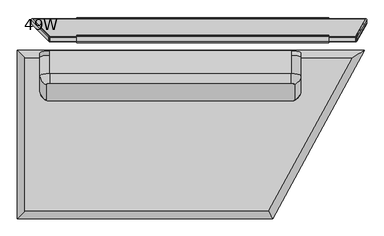
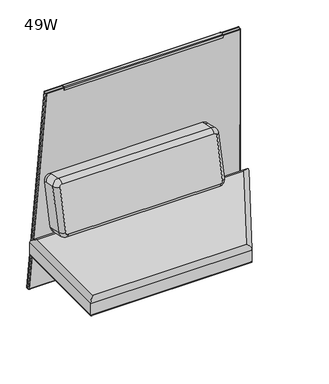
"""IFC4 building model written with IfcOpenShell, lengths in millimetres: furniture geometry, 49W."""

from ifc_helpers import new_model, si_unit, point, frame, frame_2d, origin, place, context, project, spatial, polyline, circle_curve, ellipse_curve, trimmed, segment, composite_curve, outline, extrude, source, transform, mapped, element, save
from ifc_brep_helpers import plane_surface, cylinder_surface, revolved_surface, advanced_brep


def furniture_49w_469fd119(model_context):
    return source(origin(), model_context, "Body", "SolidModel", [
        extrude(outline(composite_curve([segment(polyline([(0.0, 2.7618542), (-8.144073, 2.7618542), (-8.144073, 5.809597), (-0.7084719, 5.809597)]), True, "CONTINUOUS"), segment(trimmed(circle_curve(frame_2d((-0.7084719, 0.6723218)), 5.1372751), [point((-0.7084719, 5.809597))], [point((4.4288032, 0.6723231))], False, "CARTESIAN"), True, "CONTINUOUS"), segment(polyline([(4.4288032, 0.6723231), (4.428809, -22.1894719)]), True, "CONTINUOUS"), segment(trimmed(circle_curve(frame_2d((-0.2870619, -22.1894731)), 4.7158708), [point((4.428809, -22.1894719))], [point((-0.2870619, -26.9053439))], False, "CARTESIAN"), True, "CONTINUOUS"), segment(polyline([(-0.2870619, -26.9053439), (-30.2577073, -26.9053439)]), True, "CONTINUOUS"), segment(trimmed(circle_curve(frame_2d((-30.2577073, -28.255386)), 1.3500421), [point((-30.2577073, -26.9053439))], [point((-31.6077494, -28.2553863))], True, "CARTESIAN"), True, "CONTINUOUS"), segment(polyline([(-31.6077494, -28.2553863), (-31.6077448, -46.0826012), (-34.6571469, -46.0826012), (-34.6571469, -28.1797797)]), True, "CONTINUOUS"), segment(trimmed(circle_curve(frame_2d((-29.8525087, -28.1797797)), 4.8046382), [point((-34.6571469, -28.1797797))], [point((-29.8525087, -23.3751415))], False, "CARTESIAN"), True, "CONTINUOUS"), segment(polyline([(-29.8525087, -23.3751415), (0.0128466, -23.3751415)]), True, "CONTINUOUS"), segment(trimmed(circle_curve(frame_2d((0.0128466, -22.0070551)), 1.3680864), [point((0.0128466, -23.3751415))], [point((1.380933, -22.0070548))], True, "CARTESIAN"), True, "CONTINUOUS"), segment(polyline([(1.380933, -22.0070548), (1.380927, 1.3809275)]), True, "CONTINUOUS"), segment(trimmed(circle_curve(frame_2d((0.0, 1.3809271)), 1.3809271), [point((1.380927, 1.3809275))], [point((0.0, 2.7618542))], True, "CARTESIAN"), True, "CONTINUOUS")], self_intersect=False)), frame((899.6751415, -51.2771859, 562.9379975), z_axis=(0.0, -0.08715574274766424, 0.996194698091745), x_axis=(0.0, -0.996194698091745, -0.08715574274766424)), (0.0, 0.0, 1.0), 51.1352235),
        extrude(outline(composite_curve([segment(trimmed(circle_curve(frame_2d((2.2023575, 23.9777383)), 4.6118092), [point((2.4039227, 19.3703361))], [point((-2.4031314, 23.7363749))], False, "CARTESIAN"), True, "CONTINUOUS"), segment(polyline([(-2.4031314, 23.7363749), (-3.1606988, 38.1916228), (-0.8769993, 38.3113064), (-0.1192392, 23.8523818)]), True, "CONTINUOUS"), segment(trimmed(circle_curve(frame_2d((2.1627609, 23.9719763)), 2.285132), [point((-0.1192392, 23.8523818))], [point((2.2823555, 21.689976))], True, "CARTESIAN"), True, "CONTINUOUS"), segment(polyline([(2.2823555, 21.689976), (18.7703484, 22.5540751)]), True, "CONTINUOUS"), segment(trimmed(circle_curve(frame_2d((18.6507538, 24.8360754)), 2.285132), [point((18.7703484, 22.5540751))], [point((20.9327541, 24.95567))], True, "CARTESIAN"), True, "CONTINUOUS"), segment(polyline([(20.9327541, 24.95567), (20.1749938, 39.4145946), (22.4585421, 39.5342703), (23.2162566, 25.0762164)]), True, "CONTINUOUS"), segment(trimmed(circle_curve(frame_2d((18.6526375, 24.800132)), 4.5719626), [point((23.2162566, 25.0762164))], [point((18.8919156, 20.2344351))], False, "CARTESIAN"), True, "CONTINUOUS"), segment(polyline([(18.8919156, 20.2344351), (2.4039227, 19.3703361)]), True, "CONTINUOUS")], self_intersect=False)), frame((215.9, 0.0, 0.0), z_axis=(1.0, 0.0, 0.0), x_axis=(0.0, 1.0, 0.0)), (0.0, 0.0, 1.0), 913.3357285),
        extrude(outline(composite_curve([segment(trimmed(circle_curve(frame_2d((8.144073, 1.3809271)), 1.3809271), [point((8.144073, 0.0))], [point((9.525, 1.3809267))], True, "CARTESIAN"), True, "CONTINUOUS"), segment(polyline([(9.525, 1.3809267), (9.525006, 25.2511141)]), True, "CONTINUOUS"), segment(trimmed(circle_curve(frame_2d((8.1569196, 25.2511144)), 1.3680864), [point((9.525006, 25.2511141))], [point((8.1569205, 26.6192008))], True, "CARTESIAN"), True, "CONTINUOUS"), segment(polyline([(8.1569205, 26.6192008), (-21.7084389, 26.6192008)]), True, "CONTINUOUS"), segment(trimmed(circle_curve(frame_2d((-21.7084358, 31.423839)), 4.8046382), [point((-21.7084389, 26.6192008))], [point((-26.513074, 31.423839))], False, "CARTESIAN"), True, "CONTINUOUS"), segment(polyline([(-26.513074, 31.423839), (-26.513074, 48.8444554), (-23.4636719, 48.8444554), (-23.4636765, 31.0172405)]), True, "CONTINUOUS"), segment(trimmed(circle_curve(frame_2d((-22.1136344, 31.0172402)), 1.3500421), [point((-23.4636765, 31.0172405))], [point((-22.1136353, 29.6671981))], True, "CARTESIAN"), True, "CONTINUOUS"), segment(polyline([(-22.1136353, 29.6671981), (7.8570142, 29.6671981)]), True, "CONTINUOUS"), segment(trimmed(circle_curve(frame_2d((7.8570111, 24.9513273)), 4.7158708), [point((7.8570142, 29.6671981))], [point((12.5728819, 24.9513261))], False, "CARTESIAN"), True, "CONTINUOUS"), segment(polyline([(12.5728819, 24.9513261), (12.5728762, 2.0895311)]), True, "CONTINUOUS"), segment(trimmed(circle_curve(frame_2d((7.4356011, 2.0895324)), 5.1372751), [point((12.5728762, 2.0895311))], [point((7.4356011, -3.0477428))], False, "CARTESIAN"), True, "CONTINUOUS"), segment(polyline([(7.4356011, -3.0477428), (0.0, -3.0477428), (0.0, 0.0), (8.144073, 0.0)]), True, "CONTINUOUS")], self_intersect=False)), frame((215.1630043, -43.1641036, 563.6478002), z_axis=(0.0, -0.08715574274766426, 0.996194698091745), x_axis=(0.0, -0.996194698091745, -0.08715574274766426)), (0.0, 0.0, 1.0), 51.1352235),
        extrude(outline(composite_curve([segment(trimmed(circle_curve(frame_2d((8.1440729, 1.3809271)), 1.3809271), [point((8.1440729, 0.0))], [point((9.525, 1.3809267))], True, "CARTESIAN"), True, "CONTINUOUS"), segment(polyline([(9.525, 1.3809267), (9.525006, 25.2511218)]), True, "CONTINUOUS"), segment(trimmed(circle_curve(frame_2d((8.1569196, 25.2511222)), 1.3680864), [point((9.525006, 25.2511218))], [point((8.1569196, 26.6192086))], True, "CARTESIAN"), True, "CONTINUOUS"), segment(polyline([(8.1569196, 26.6192086), (-9.8021859, 26.6192086)]), True, "CONTINUOUS"), segment(trimmed(circle_curve(frame_2d((-9.8021859, 31.4238468)), 4.8046382), [point((-9.8021859, 26.6192086))], [point((-14.606824, 31.4238468))], False, "CARTESIAN"), True, "CONTINUOUS"), segment(polyline([(-14.606824, 31.4238468), (-14.606824, 48.8444632), (-11.5574219, 48.8444632), (-11.5574266, 31.0172483)]), True, "CONTINUOUS"), segment(trimmed(circle_curve(frame_2d((-10.2073845, 31.017248)), 1.3500421), [point((-11.5574266, 31.0172483))], [point((-10.2073845, 29.6672059))], True, "CARTESIAN"), True, "CONTINUOUS"), segment(polyline([(-10.2073845, 29.6672059), (7.8570111, 29.6672059)]), True, "CONTINUOUS"), segment(trimmed(circle_curve(frame_2d((7.8570111, 24.951335)), 4.7158708), [point((7.8570111, 29.6672059))], [point((12.5728819, 24.9513338))], False, "CARTESIAN"), True, "CONTINUOUS"), segment(polyline([(12.5728819, 24.9513338), (12.5728761, 2.0895311)]), True, "CONTINUOUS"), segment(trimmed(circle_curve(frame_2d((7.435601, 2.0895324)), 5.1372751), [point((12.5728761, 2.0895311))], [point((7.435601, -3.0477428))], False, "CARTESIAN"), True, "CONTINUOUS"), segment(polyline([(7.435601, -3.0477428), (0.0, -3.0477428), (0.0, 0.0), (8.1440729, 0.0)]), True, "CONTINUOUS")], self_intersect=False)), frame((215.1630043, -24.2408127, 144.8059002), z_axis=(0.0, -0.05233595624294945, 0.9986295347545736), x_axis=(0.0, -0.9986295347545736, -0.05233595624294945)), (0.0, 0.0, 1.0), 50.4083184),
        extrude(outline(composite_curve([segment(polyline([(18.5911719, 20.5975436), (18.5911719, 36.4727737), (22.0080176, 36.4727737), (22.0080176, 22.1226629)]), True, "CONTINUOUS"), segment(trimmed(circle_curve(frame_2d((17.0817223, 22.1226629)), 4.9262954), [point((22.0080176, 22.1226629))], [point((17.0817223, 17.1963676))], False, "CARTESIAN"), True, "CONTINUOUS"), segment(polyline([(17.0817223, 17.1963676), (-20.9377121, 17.1963676)]), True, "CONTINUOUS"), segment(trimmed(circle_curve(frame_2d((-20.9377121, 22.4139285)), 5.217561), [point((-20.9377121, 17.1963676))], [point((-25.9416036, 23.891769))], False, "CARTESIAN"), True, "CONTINUOUS"), segment(polyline([(-25.9416036, 23.891769), (-8.0168765, 84.5839696), (-8.0168765, 96.8063842), (-4.5957637, 96.8063842), (-4.5957637, 83.9990238), (-22.7108138, 22.6623993)]), True, "CONTINUOUS"), segment(trimmed(circle_curve(frame_2d((-21.1676183, 22.2066346)), 1.609091), [point((-22.7108138, 22.6623993))], [point((-21.1676183, 20.5975436))], True, "CARTESIAN"), True, "CONTINUOUS"), segment(polyline([(-21.1676183, 20.5975436), (18.5911719, 20.5975436)]), True, "CONTINUOUS")], self_intersect=False)), frame((1052.8411576, 0.0, 0.0), z_axis=(1.0, 0.0, 0.0), x_axis=(0.0, 1.0, 0.0)), (0.0, 0.0, 1.0), 25.4),
        extrude(outline(composite_curve([segment(polyline([(1056.7767002, -4.5957637), (1075.1897641, -4.5957637)]), True, "CONTINUOUS"), segment(trimmed(circle_curve(frame_2d((1063.1912621, -13.6862365)), 15.0532637), [point((1075.1897641, -4.5957637))], [point((1076.2740263, -21.1321769))], False, "CARTESIAN"), True, "CONTINUOUS"), segment(polyline([(1076.2740263, -21.1321769), (1055.6924381, -21.1321769)]), True, "CONTINUOUS"), segment(trimmed(circle_curve(frame_2d((1068.7752022, -13.6862365)), 15.0532637), [point((1055.6924381, -21.1321769))], [point((1056.7767002, -4.5957637))], False, "CARTESIAN"), True, "CONTINUOUS")], self_intersect=False)), frame((0.0, 0.0, 13.858606), z_axis=(0.0, 0.0, 1.0), x_axis=(1.0, 0.0, 0.0)), (0.0, 0.0, 1.0), 3.3377616),
        advanced_brep(
        [(1065.5411576, -16.1234282, 14.8752118), (1065.5411576, -9.500017, 14.8752118), (1065.5411576, -8.9130793, 13.858606), (1065.5411576, -16.7103659, 13.858606), (1065.5411576, -4.8811056, 11.2402116), (1065.5411576, -20.7423395, 11.2402116), (1065.5411576, -4.8811056, 8.74896), (1065.5411576, -20.7423395, 8.74896), (1065.5411576, -6.4627748, 8.74896), (1065.5411576, -19.1606704, 8.74896), (1065.5411576, -1.6031557, 5.9432577), (1065.5411576, -24.0202895, 5.9432577), (1065.5411576, 1.5875, 3.5556814), (1065.5411576, -27.2109452, 3.5556814), (1065.5411576, -0.4653912, 0.0), (1065.5411576, -25.1580539, 0.0), (1065.5411576, -12.8117226, 0.0), (1065.5411576, -12.8117226, 17.1963676), (1065.5411576, -8.8603739, 17.1963676), (1065.5411576, -16.7630713, 17.1963676), (1065.5411576, -8.8603739, 15.514855), (1065.5411576, -16.7630713, 15.514855)],
        [
            (0, 1, circle_curve(frame((1065.5411576, -12.8117226, 14.8752118), z_axis=(0.0, 0.0, -1.0), x_axis=(0.0, 1.0, 0.0)), 3.3117056)),
            (1, 2),
            (2, 3, circle_curve(frame((1065.5411576, -12.8117226, 13.858606), z_axis=(0.0, 0.0, 1.0), x_axis=(0.0, 1.0, 0.0)), 3.8986433)),
            (3, 0),
            (1, 0, circle_curve(frame((1065.5411576, -12.8117226, 14.8752118), z_axis=(0.0, 0.0, -1.0), x_axis=(0.0, 1.0, 0.0)), 3.3117056)),
            (3, 2, circle_curve(frame((1065.5411576, -12.8117226, 13.858606), z_axis=(0.0, 0.0, 1.0), x_axis=(0.0, 1.0, 0.0)), 3.8986433)),
            (2, 4),
            (4, 5, circle_curve(frame((1065.5411576, -12.8117226, 11.2402116), z_axis=(0.0, 0.0, 1.0), x_axis=(0.0, 1.0, 0.0)), 7.930617)),
            (5, 3),
            (5, 4, circle_curve(frame((1065.5411576, -12.8117226, 11.2402116), z_axis=(0.0, 0.0, 1.0), x_axis=(0.0, 1.0, 0.0)), 7.930617)),
            (4, 6),
            (6, 7, circle_curve(frame((1065.5411576, -12.8117226, 8.74896), z_axis=(0.0, 0.0, 1.0), x_axis=(0.0, 1.0, 0.0)), 7.930617)),
            (7, 5),
            (7, 6, circle_curve(frame((1065.5411576, -12.8117226, 8.74896), z_axis=(0.0, 0.0, 1.0), x_axis=(0.0, 1.0, 0.0)), 7.930617)),
            (6, 8),
            (8, 9, circle_curve(frame((1065.5411576, -12.8117226, 8.74896), z_axis=(0.0, 0.0, 1.0), x_axis=(0.0, 1.0, 0.0)), 6.3489478)),
            (9, 7),
            (9, 8, circle_curve(frame((1065.5411576, -12.8117226, 8.74896), z_axis=(0.0, 0.0, 1.0), x_axis=(0.0, 1.0, 0.0)), 6.3489478)),
            (8, 10, circle_curve(frame((1065.5411576, -1.9505298, 10.9529929), z_axis=(1.0, 0.0, 0.0), x_axis=(0.0, -1.0, 0.0)), 5.0217642)),
            (10, 11, circle_curve(frame((1065.5411576, -12.8117226, 5.9432577), z_axis=(0.0, 0.0, 1.0), x_axis=(0.0, 1.0, 0.0)), 11.2085669)),
            (11, 9, circle_curve(frame((1065.5411576, -23.6729154, 10.9529929), z_axis=(1.0, 0.0, 0.0), x_axis=(0.0, 1.0, 0.0)), 5.0217642)),
            (11, 10, circle_curve(frame((1065.5411576, -12.8117226, 5.9432577), z_axis=(0.0, 0.0, 1.0), x_axis=(0.0, 1.0, 0.0)), 11.2085669)),
            (10, 12, circle_curve(frame((1065.5411576, -1.3921075, 2.8995769), z_axis=(-1.0, 0.0, 0.0), x_axis=(0.0, -1.0, 0.0)), 3.050989)),
            (12, 13, circle_curve(frame((1065.5411576, -12.8117226, 3.5556814), z_axis=(0.0, 0.0, 1.0), x_axis=(0.0, 1.0, 0.0)), 14.3992226)),
            (13, 11, circle_curve(frame((1065.5411576, -24.2313377, 2.8995769), z_axis=(-1.0, 0.0, 0.0), x_axis=(0.0, 1.0, 0.0)), 3.050989)),
            (13, 12, circle_curve(frame((1065.5411576, -12.8117226, 3.5556814), z_axis=(0.0, 0.0, 1.0), x_axis=(0.0, 1.0, 0.0)), 14.3992226)),
            (12, 14),
            (14, 15, circle_curve(frame((1065.5411576, -12.8117226, 0.0), z_axis=(0.0, 0.0, 1.0), x_axis=(0.0, 1.0, 0.0)), 12.3463313)),
            (15, 13),
            (15, 14, circle_curve(frame((1065.5411576, -12.8117226, 0.0), z_axis=(0.0, 0.0, 1.0), x_axis=(0.0, 1.0, 0.0)), 12.3463313)),
            (14, 16),
            (16, 15),
            (17, 18),
            (18, 19, circle_curve(frame((1065.5411576, -12.8117226, 17.1963676), z_axis=(0.0, 0.0, 1.0), x_axis=(0.0, 1.0, 0.0)), 3.9513487)),
            (19, 17),
            (19, 18, circle_curve(frame((1065.5411576, -12.8117226, 17.1963676), z_axis=(0.0, 0.0, 1.0), x_axis=(0.0, 1.0, 0.0)), 3.9513487)),
            (18, 20),
            (20, 21, circle_curve(frame((1065.5411576, -12.8117226, 15.514855), z_axis=(0.0, 0.0, 1.0), x_axis=(0.0, 1.0, 0.0)), 3.9513487)),
            (21, 19),
            (21, 20, circle_curve(frame((1065.5411576, -12.8117226, 15.514855), z_axis=(0.0, 0.0, 1.0), x_axis=(0.0, 1.0, 0.0)), 3.9513487)),
            (20, 1),
            (0, 21),
        ],
        [
            revolved_surface(polyline([(1065.5411576, -8.9130793, 13.858606), (1065.5411576, -9.500017, 14.8752118)]), (1065.5411576, -12.8117226, 0.0), (0.0, 0.0, 1.0)),
            revolved_surface(polyline([(1065.5411576, -4.8811056, 11.2402116), (1065.5411576, -8.9130793, 13.858606)]), (1065.5411576, -12.8117226, 0.0), (0.0, 0.0, 1.0)),
            cylinder_surface(frame((1065.5411576, -12.8117226, 0.0), z_axis=(0.0, 0.0, 1.0), x_axis=(0.0, 1.0, 0.0)), 7.930617),
            plane_surface(frame((1065.5411576, -12.8117226, 8.74896), z_axis=(0.0, 0.0, -1.0), x_axis=(0.0, 1.0, 0.0))),
            revolved_surface(trimmed(ellipse_curve(frame((1065.5411576, -1.9505298, 10.9529929), z_axis=(-1.0, 0.0, 0.0), x_axis=(0.0, -1.0, 0.0)), 5.0217642, 5.0217642), [point((1065.5411576, -1.6031557, 5.9432577))], [point((1065.5411576, -6.4627748, 8.74896))], True, "CARTESIAN"), (1065.5411576, -12.8117226, 0.0), (0.0, 0.0, 1.0)),
            revolved_surface(trimmed(ellipse_curve(frame((1065.5411576, -1.3921075, 2.8995769), z_axis=(1.0, 0.0, 0.0), x_axis=(0.0, -1.0, 0.0)), 3.050989, 3.050989), [point((1065.5411576, 1.5875, 3.5556814))], [point((1065.5411576, -1.6031557, 5.9432577))], True, "CARTESIAN"), (1065.5411576, -12.8117226, 0.0), (0.0, 0.0, 1.0)),
            revolved_surface(polyline([(1065.5411576, -0.4653912, 0.0), (1065.5411576, 1.5875, 3.5556814)]), (1065.5411576, -12.8117226, 0.0), (0.0, 0.0, 1.0)),
            plane_surface(frame((1065.5411576, -12.8117226, 0.0), z_axis=(0.0, 0.0, -1.0), x_axis=(0.0, 1.0, 0.0))),
            plane_surface(frame((1065.5411576, -12.8117226, 17.1963676), z_axis=(0.0, 0.0, 1.0), x_axis=(0.0, 1.0, 0.0))),
            cylinder_surface(frame((1065.5411576, -12.8117226, 0.0), z_axis=(0.0, 0.0, 1.0), x_axis=(0.0, 1.0, 0.0)), 3.9513487),
            revolved_surface(polyline([(1065.5411576, -9.500017, 14.8752118), (1065.5411576, -8.8603739, 15.514855)]), (1065.5411576, -12.8117226, 0.0), (0.0, 0.0, 1.0)),
        ],
        [
            (0, [[1, 2, 3, 4]]),
            (0, [[5, -4, 6, -2]]),
            (1, [[-3, 7, 8, 9]]),
            (1, [[-6, -9, 10, -7]]),
            (2, [[-8, 11, 12, 13]]),
            (2, [[-10, -13, 14, -11]]),
            (3, [[-12, 15, 16, 17]]),
            (3, [[-14, -17, 18, -15]]),
            (4, [[-16, 19, 20, 21]]),
            (4, [[-18, -21, 22, -19]]),
            (5, [[-20, 23, 24, 25]]),
            (5, [[-22, -25, 26, -23]]),
            (6, [[-24, 27, 28, 29]]),
            (6, [[-26, -29, 30, -27]]),
            (7, [[-28, 31, 32]]),
            (7, [[-30, -32, -31]]),
            (8, [[33, 34, 35]]),
            (8, [[-35, 36, -33]]),
            (9, [[-34, 37, 38, 39]]),
            (9, [[-36, -39, 40, -37]]),
            (10, [[-38, 41, -1, 42]]),
            (10, [[-40, -42, -5, -41]]),
        ],
    ),
        extrude(outline(composite_curve([segment(trimmed(circle_curve(frame_2d((276.429285, -13.6862365)), 15.0532637), [point((288.427787, -4.5957637))], [point((289.5120492, -21.1321769))], False, "CARTESIAN"), True, "CONTINUOUS"), segment(polyline([(289.5120492, -21.1321769), (268.930461, -21.1321769)]), True, "CONTINUOUS"), segment(trimmed(circle_curve(frame_2d((282.0132252, -13.6862365)), 15.0532637), [point((268.930461, -21.1321769))], [point((270.0147231, -4.5957637))], False, "CARTESIAN"), True, "CONTINUOUS"), segment(polyline([(270.0147231, -4.5957637), (288.427787, -4.5957637)]), True, "CONTINUOUS")], self_intersect=False)), frame((0.0, 0.0, 13.858606), z_axis=(0.0, 0.0, 1.0), x_axis=(1.0, 0.0, 0.0)), (0.0, 0.0, 1.0), 3.3377616),
        advanced_brep(
        [(279.230466, -16.7103659, 13.858606), (279.230466, -8.9130793, 13.858606), (279.230466, -9.500017, 14.8752118), (279.230466, -16.1234282, 14.8752118), (279.230466, -20.7423395, 11.2402116), (279.230466, -4.8811056, 11.2402116), (279.230466, -20.7423395, 8.74896), (279.230466, -4.8811056, 8.74896), (279.230466, -19.1606704, 8.74896), (279.230466, -6.4627748, 8.74896), (279.230466, -24.0202895, 5.9432577), (279.230466, -1.6031557, 5.9432577), (279.230466, -27.2109452, 3.5556814), (279.230466, 1.5875, 3.5556814), (279.230466, -25.1580539, 0.0), (279.230466, -0.4653912, 0.0), (279.230466, -12.8117226, 0.0), (279.230466, -16.7630713, 17.1963676), (279.230466, -8.8603739, 17.1963676), (279.230466, -12.8117226, 17.1963676), (279.230466, -16.7630713, 15.514855), (279.230466, -8.8603739, 15.514855)],
        [
            (0, 1, circle_curve(frame((279.230466, -12.8117226, 13.858606), z_axis=(0.0, 0.0, 1.0), x_axis=(0.0, 1.0, 0.0)), 3.8986433)),
            (1, 2),
            (2, 3, circle_curve(frame((279.230466, -12.8117226, 14.8752118), z_axis=(0.0, 0.0, -1.0), x_axis=(0.0, 1.0, 0.0)), 3.3117056)),
            (3, 0),
            (1, 0, circle_curve(frame((279.230466, -12.8117226, 13.858606), z_axis=(0.0, 0.0, 1.0), x_axis=(0.0, 1.0, 0.0)), 3.8986433)),
            (3, 2, circle_curve(frame((279.230466, -12.8117226, 14.8752118), z_axis=(0.0, 0.0, -1.0), x_axis=(0.0, 1.0, 0.0)), 3.3117056)),
            (4, 5, circle_curve(frame((279.230466, -12.8117226, 11.2402116), z_axis=(0.0, 0.0, 1.0), x_axis=(0.0, 1.0, 0.0)), 7.930617)),
            (5, 1),
            (0, 4),
            (5, 4, circle_curve(frame((279.230466, -12.8117226, 11.2402116), z_axis=(0.0, 0.0, 1.0), x_axis=(0.0, 1.0, 0.0)), 7.930617)),
            (6, 7, circle_curve(frame((279.230466, -12.8117226, 8.74896), z_axis=(0.0, 0.0, 1.0), x_axis=(0.0, 1.0, 0.0)), 7.930617)),
            (7, 5),
            (4, 6),
            (7, 6, circle_curve(frame((279.230466, -12.8117226, 8.74896), z_axis=(0.0, 0.0, 1.0), x_axis=(0.0, 1.0, 0.0)), 7.930617)),
            (8, 9, circle_curve(frame((279.230466, -12.8117226, 8.74896), z_axis=(0.0, 0.0, 1.0), x_axis=(0.0, 1.0, 0.0)), 6.3489478)),
            (9, 7),
            (6, 8),
            (9, 8, circle_curve(frame((279.230466, -12.8117226, 8.74896), z_axis=(0.0, 0.0, 1.0), x_axis=(0.0, 1.0, 0.0)), 6.3489478)),
            (10, 11, circle_curve(frame((279.230466, -12.8117226, 5.9432577), z_axis=(0.0, 0.0, 1.0), x_axis=(0.0, 1.0, 0.0)), 11.2085669)),
            (11, 9, circle_curve(frame((279.230466, -1.9505298, 10.9529929), z_axis=(-1.0, 0.0, 0.0), x_axis=(0.0, -1.0, 0.0)), 5.0217642)),
            (8, 10, circle_curve(frame((279.230466, -23.6729154, 10.9529929), z_axis=(-1.0, 0.0, 0.0), x_axis=(0.0, 1.0, 0.0)), 5.0217642)),
            (11, 10, circle_curve(frame((279.230466, -12.8117226, 5.9432577), z_axis=(0.0, 0.0, 1.0), x_axis=(0.0, 1.0, 0.0)), 11.2085669)),
            (12, 13, circle_curve(frame((279.230466, -12.8117226, 3.5556814), z_axis=(0.0, 0.0, 1.0), x_axis=(0.0, 1.0, 0.0)), 14.3992226)),
            (13, 11, circle_curve(frame((279.230466, -1.3921075, 2.8995769), z_axis=(1.0, 0.0, 0.0), x_axis=(0.0, -1.0, 0.0)), 3.050989)),
            (10, 12, circle_curve(frame((279.230466, -24.2313377, 2.8995769), z_axis=(1.0, 0.0, 0.0), x_axis=(0.0, 1.0, 0.0)), 3.050989)),
            (13, 12, circle_curve(frame((279.230466, -12.8117226, 3.5556814), z_axis=(0.0, 0.0, 1.0), x_axis=(0.0, 1.0, 0.0)), 14.3992226)),
            (14, 15, circle_curve(frame((279.230466, -12.8117226, 0.0), z_axis=(0.0, 0.0, 1.0), x_axis=(0.0, 1.0, 0.0)), 12.3463313)),
            (15, 13),
            (12, 14),
            (15, 14, circle_curve(frame((279.230466, -12.8117226, 0.0), z_axis=(0.0, 0.0, 1.0), x_axis=(0.0, 1.0, 0.0)), 12.3463313)),
            (16, 15),
            (14, 16),
            (17, 18, circle_curve(frame((279.230466, -12.8117226, 17.1963676), z_axis=(0.0, 0.0, 1.0), x_axis=(0.0, 1.0, 0.0)), 3.9513487)),
            (18, 19),
            (19, 17),
            (18, 17, circle_curve(frame((279.230466, -12.8117226, 17.1963676), z_axis=(0.0, 0.0, 1.0), x_axis=(0.0, 1.0, 0.0)), 3.9513487)),
            (20, 21, circle_curve(frame((279.230466, -12.8117226, 15.514855), z_axis=(0.0, 0.0, 1.0), x_axis=(0.0, 1.0, 0.0)), 3.9513487)),
            (21, 18),
            (17, 20),
            (21, 20, circle_curve(frame((279.230466, -12.8117226, 15.514855), z_axis=(0.0, 0.0, 1.0), x_axis=(0.0, 1.0, 0.0)), 3.9513487)),
            (2, 21),
            (20, 3),
        ],
        [
            revolved_surface(polyline([(279.230466, -9.500017, 14.8752118), (279.230466, -8.9130793, 13.858606)]), (279.230466, -12.8117226, 0.0), (0.0, 0.0, -1.0)),
            revolved_surface(polyline([(279.230466, -8.9130793, 13.858606), (279.230466, -4.8811056, 11.2402116)]), (279.230466, -12.8117226, 0.0), (0.0, 0.0, -1.0)),
            cylinder_surface(frame((279.230466, -12.8117226, 0.0), z_axis=(0.0, 0.0, -1.0), x_axis=(0.0, 1.0, 0.0)), 7.930617),
            plane_surface(frame((279.230466, -12.8117226, 8.74896), z_axis=(0.0, 0.0, -1.0), x_axis=(0.0, 1.0, 0.0))),
            revolved_surface(trimmed(ellipse_curve(frame((279.230466, -1.9505298, 10.9529929), z_axis=(1.0, 0.0, 0.0), x_axis=(0.0, -1.0, 0.0)), 5.0217642, 5.0217642), [point((279.230466, -6.4627748, 8.74896))], [point((279.230466, -1.6031557, 5.9432577))], True, "CARTESIAN"), (279.230466, -12.8117226, 0.0), (0.0, 0.0, -1.0)),
            revolved_surface(trimmed(ellipse_curve(frame((279.230466, -1.3921075, 2.8995769), z_axis=(-1.0, 0.0, 0.0), x_axis=(0.0, -1.0, 0.0)), 3.050989, 3.050989), [point((279.230466, -1.6031557, 5.9432577))], [point((279.230466, 1.5875, 3.5556814))], True, "CARTESIAN"), (279.230466, -12.8117226, 0.0), (0.0, 0.0, -1.0)),
            revolved_surface(polyline([(279.230466, 1.5875, 3.5556814), (279.230466, -0.4653912, 0.0)]), (279.230466, -12.8117226, 0.0), (0.0, 0.0, -1.0)),
            plane_surface(frame((279.230466, -12.8117226, 0.0), z_axis=(0.0, 0.0, -1.0), x_axis=(0.0, 1.0, 0.0))),
            plane_surface(frame((279.230466, -12.8117226, 17.1963676), z_axis=(0.0, 0.0, 1.0), x_axis=(0.0, 1.0, 0.0))),
            cylinder_surface(frame((279.230466, -12.8117226, 0.0), z_axis=(0.0, 0.0, -1.0), x_axis=(0.0, 1.0, 0.0)), 3.9513487),
            revolved_surface(polyline([(279.230466, -8.8603739, 15.514855), (279.230466, -9.500017, 14.8752118)]), (279.230466, -12.8117226, 0.0), (0.0, 0.0, -1.0)),
        ],
        [
            (0, [[1, 2, 3, 4]]),
            (0, [[5, -4, 6, -2]]),
            (1, [[7, 8, -1, 9]]),
            (1, [[10, -9, -5, -8]]),
            (2, [[11, 12, -7, 13]]),
            (2, [[14, -13, -10, -12]]),
            (3, [[15, 16, -11, 17]]),
            (3, [[18, -17, -14, -16]]),
            (4, [[19, 20, -15, 21]]),
            (4, [[22, -21, -18, -20]]),
            (5, [[23, 24, -19, 25]]),
            (5, [[26, -25, -22, -24]]),
            (6, [[27, 28, -23, 29]]),
            (6, [[30, -29, -26, -28]]),
            (7, [[31, -27, 32]]),
            (7, [[-32, -30, -31]]),
            (8, [[33, 34, 35]]),
            (8, [[36, -35, -34]]),
            (9, [[37, 38, -33, 39]]),
            (9, [[40, -39, -36, -38]]),
            (10, [[-3, 41, -37, 42]]),
            (10, [[-6, -42, -40, -41]]),
        ],
    ),
        extrude(outline(composite_curve([segment(polyline([(18.5911719, 20.5975436), (18.5911719, 36.4727737), (22.0080176, 36.4727737), (22.0080176, 22.1226629)]), True, "CONTINUOUS"), segment(trimmed(circle_curve(frame_2d((17.0817223, 22.1226629)), 4.9262954), [point((22.0080176, 22.1226629))], [point((17.0817223, 17.1963676))], False, "CARTESIAN"), True, "CONTINUOUS"), segment(polyline([(17.0817223, 17.1963676), (-20.9377121, 17.1963676)]), True, "CONTINUOUS"), segment(trimmed(circle_curve(frame_2d((-20.9377121, 22.4139285)), 5.217561), [point((-20.9377121, 17.1963676))], [point((-25.9416036, 23.891769))], False, "CARTESIAN"), True, "CONTINUOUS"), segment(polyline([(-25.9416036, 23.891769), (-8.0168765, 84.5839696), (-8.0168765, 96.8063842), (-4.5957637, 96.8063842), (-4.5957637, 83.9990238), (-22.7108138, 22.6623993)]), True, "CONTINUOUS"), segment(trimmed(circle_curve(frame_2d((-21.1676183, 22.2066346)), 1.609091), [point((-22.7108138, 22.6623993))], [point((-21.1676183, 20.5975436))], True, "CARTESIAN"), True, "CONTINUOUS"), segment(polyline([(-21.1676183, 20.5975436), (18.5911719, 20.5975436)]), True, "CONTINUOUS")], self_intersect=False)), frame((259.8298168, 0.0, 0.0), z_axis=(1.0, 0.0, 0.0), x_axis=(0.0, 1.0, 0.0)), (0.0, 0.0, 1.0), 38.8216493),
        extrude(outline(composite_curve([segment(polyline([(-63.475146, 1229.5989299), (-46.9871532, 1230.463029)]), True, "CONTINUOUS"), segment(trimmed(circle_curve(frame_2d((-46.7478751, 1225.8973321)), 4.5719626), [point((-46.9871532, 1230.463029))], [point((-42.1803973, 1226.0997882))], False, "CARTESIAN"), True, "CONTINUOUS"), segment(polyline([(-42.1803973, 1226.0997882), (-41.4226828, 1211.6417343), (-43.7062311, 1211.5220586), (-44.4639911, 1225.9809832)]), True, "CONTINUOUS"), segment(trimmed(circle_curve(frame_2d((-46.7459914, 1225.8613887)), 2.285132), [point((-44.4639911, 1225.9809832))], [point((-46.865586, 1228.143389))], True, "CARTESIAN"), True, "CONTINUOUS"), segment(polyline([(-46.865586, 1228.143389), (-63.3535789, 1227.2792899)]), True, "CONTINUOUS"), segment(trimmed(circle_curve(frame_2d((-63.2339843, 1224.9972896)), 2.285132), [point((-63.3535789, 1227.2792899))], [point((-65.5159846, 1224.877695))], True, "CARTESIAN"), True, "CONTINUOUS"), segment(polyline([(-65.5159846, 1224.877695), (-64.7582243, 1210.4187704), (-67.0419238, 1210.2990868), (-67.7994912, 1224.7543347)]), True, "CONTINUOUS"), segment(trimmed(circle_curve(frame_2d((-63.1940023, 1224.9956981)), 4.6118092), [point((-67.7994912, 1224.7543347))], [point((-63.475146, 1229.5989299))], False, "CARTESIAN"), True, "CONTINUOUS")], self_intersect=False)), frame((215.9, 0.0, 0.0), z_axis=(1.0, 0.0, 0.0), x_axis=(0.0, 1.0, 0.0)), (0.0, 0.0, 1.0), 913.3357285),
        advanced_brep(
        [(116.7587904, -44.6733765, 1225.2510989), (116.7587904, -65.1147983, 1224.1729435), (53.8033308, -1.8438792, 24.5800049), (53.8033308, 18.5975426, 25.6581603), (113.9117948, -47.7971932, 1228.090615), (116.0068356, -44.7151123, 1226.0423941), (52.9683205, 18.6392784, 24.866865), (50.6418769, 15.78976, 22.5057899), (113.9117948, -62.30746, 1227.3252905), (50.6418769, 1.2794932, 21.7404653), (116.0072265, -65.1565125, 1224.9638274), (52.9687547, -1.8021651, 23.7891211), (1263.5765807, -1.8438792, 24.5800049), (1263.5765807, 18.5975426, 25.6581603), (1264.3928427, 18.6392784, 24.866865), (1266.6670513, 15.78976, 22.5057899), (1266.6670513, 1.2794932, 21.7404653), (1264.3924183, -1.8021651, 23.7891211), (1227.9236697, -65.1147983, 1224.1729435), (1227.9236697, -44.6733765, 1225.2510989), (1228.6928958, -44.7151123, 1226.0423941), (1230.8360564, -47.7971932, 1228.090615), (1230.8360564, -62.30746, 1227.3252905), (1228.6924958, -65.1565125, 1224.9638274)],
        [
            (0, 1),
            (1, 2),
            (2, 3),
            (3, 0),
            (4, 5, ellipse_curve(frame((116.8550063, -47.6338359, 1224.9934221), z_axis=(-0.7253743916787091, 0.03625594182065722, -0.6873990824691575), x_axis=(-0.6883545539158888, -0.038205793211199476, 0.7243675347973296)), 4.2757202, 3.101498)),
            (5, 6),
            (6, 7, ellipse_curve(frame((53.910174, 15.6264027, 25.6029828), z_axis=(-0.6883545539158888, -0.038205793211199456, 0.7243675347973297), x_axis=(0.7253743916787094, -0.03625594182065723, 0.6873990824691573)), 4.5056693, 3.101498)),
            (7, 4),
            (8, 4),
            (7, 9),
            (9, 8),
            (10, 8, ellipse_curve(frame((116.8542803, -62.144143, 1224.2288616), z_axis=(-0.7253743916787091, 0.03625594182065722, -0.6873990824691575), x_axis=(-0.6883545539158888, -0.038205793211199476, 0.7243675347973296)), 4.2746655, 3.1007329)),
            (9, 11, ellipse_curve(frame((53.9093678, 1.1161762, 24.8368943), z_axis=(-0.6883545539158888, -0.038205793211199456, 0.7243675347973297), x_axis=(0.7253743916787094, -0.03625594182065723, 0.6873990824691573)), 4.5045579, 3.1007329)),
            (11, 10),
            (2, 12),
            (12, 13),
            (13, 3),
            (6, 14),
            (14, 15, ellipse_curve(frame((1263.4721364, 15.6264027, 25.6029828), z_axis=(-0.6965391146472958, 0.03779203691500148, -0.7165228703343505), x_axis=(-0.7175188232836552, -0.03668702629016127, 0.695572282610243)), 4.4527262, 3.101498)),
            (15, 7),
            (15, 16),
            (16, 9),
            (16, 17, ellipse_curve(frame((1263.4729245, 1.1161762, 24.8368943), z_axis=(-0.6965391146472958, 0.03779203691500148, -0.7165228703343505), x_axis=(-0.7175188232836552, -0.03668702629016127, 0.695572282610243)), 4.4516278, 3.1007329)),
            (17, 11),
            (12, 18),
            (18, 19),
            (19, 13),
            (14, 20),
            (20, 21, ellipse_curve(frame((1227.8252439, -47.6338359, 1224.9934221), z_axis=(0.7175188232836552, 0.036687026290161275, -0.6955722826102428), x_axis=(-0.6965391146472956, 0.03779203691500147, -0.7165228703343507)), 4.3225318, 3.101498)),
            (21, 15),
            (21, 22),
            (22, 16),
            (22, 23, ellipse_curve(frame((1227.8259865, -62.144143, 1224.2288616), z_axis=(0.7175188232836552, 0.036687026290161275, -0.6955722826102428), x_axis=(-0.6965391146472956, 0.03779203691500147, -0.7165228703343507)), 4.3214656, 3.1007329)),
            (23, 17),
            (18, 1),
            (0, 19),
            (5, 20),
            (4, 21),
            (8, 22),
            (10, 23),
        ],
        [
            plane_surface(frame((116.7587904, -65.1147983, 1224.1729435), z_axis=(0.9986295316120145, 0.0027565613504242073, -0.05226337113017064), x_axis=(-0.05233601620651505, 0.05259826348579585, -0.997243382573136))),
            cylinder_surface(frame((116.8600419, -47.6388967, 1225.0893728), z_axis=(0.05233601620651508, -0.052598263485795826, 0.9972433825731362), x_axis=(0.9986295316120145, 0.0027565613504174436, -0.05226337113017102)), 3.101498),
            plane_surface(frame((113.9117948, -47.7971932, 1228.090615), z_axis=(-0.9986295316120144, -0.002756561350415666, 0.05226337113017111), x_axis=(-0.052336016206515075, 0.05259826348579585, -0.997243382573136))),
            cylinder_surface(frame((116.8592779, -62.1491656, 1224.3240882), z_axis=(0.05233601620651508, -0.052598263485795826, 0.9972433825731362), x_axis=(0.9986295316120145, 0.0027565613504174436, -0.05226337113017102)), 3.1007329),
            plane_surface(frame((53.8033308, -1.8438792, 24.5800049), z_axis=(0.0, -0.05267044666792856, 0.9986119486806679), x_axis=(1.0, 0.0, 0.0))),
            cylinder_surface(frame((53.8033308, 15.6264027, 25.6029828), z_axis=(-1.0000000000000002, 0.0, 0.0), x_axis=(0.0, -0.05267044666793532, 0.9986119486806676)), 3.101498),
            plane_surface(frame((50.6418769, 15.78976, 22.5057899), z_axis=(0.0, 0.0526704466679371, -0.9986119486806675), x_axis=(1.0, 0.0, 0.0))),
            cylinder_surface(frame((53.8033308, 1.1161762, 24.8368943), z_axis=(-1.0000000000000002, 0.0, 0.0), x_axis=(0.0, -0.05267044666793532, 0.9986119486806676)), 3.1007329),
            plane_surface(frame((1263.5765807, -1.8438792, 24.5800049), z_axis=(-0.9995598518255335, 0.0015625490455600604, -0.029625344875592673), x_axis=(-0.02966652353272263, -0.052647263866986094, 0.9981724114544553))),
            cylinder_surface(frame((1263.4752349, 15.6319014, 25.4987294), z_axis=(0.029666523532722717, 0.05264726386698609, -0.9981724114544553), x_axis=(-0.9995598518255335, 0.0015625490455533147, -0.029625344875593117)), 3.101498),
            plane_surface(frame((1266.6670513, 15.78976, 22.5057899), z_axis=(0.9995598518255335, -0.0015625490455515206, 0.029625344875593), x_axis=(-0.029666523532722505, -0.05264726386698609, 0.9981724114544553))),
            cylinder_surface(frame((1263.4759996, 1.1216335, 24.7334275), z_axis=(0.029666523532722717, 0.05264726386698609, -0.9981724114544553), x_axis=(-0.9995598518255335, 0.0015625490455533147, -0.029625344875593117)), 3.1007329),
            plane_surface(frame((1227.9236697, -65.1147983, 1224.1729435), z_axis=(0.0, 0.05267044666794205, -0.9986119486806672), x_axis=(-1.0, 0.0, 0.0))),
            plane_surface(frame((1227.9236697, -44.6733765, 1225.2510989), z_axis=(0.0, 0.9986119486806676, 0.05267044666793407), x_axis=(-1.0, 0.0, 0.0))),
            cylinder_surface(frame((1227.9236697, -47.6338359, 1224.9934221), z_axis=(1.0, 0.0, 0.0), x_axis=(0.0, 0.052670446667935314, -0.9986119486806675)), 3.101498),
            plane_surface(frame((1230.8360564, -47.7971932, 1228.090615), z_axis=(0.0, -0.05267044666793351, 0.9986119486806676), x_axis=(-1.0, 0.0, 0.0))),
            cylinder_surface(frame((1227.9236697, -62.144143, 1224.2288616), z_axis=(1.0, 0.0, 0.0), x_axis=(0.0, 0.052670446667935314, -0.9986119486806675)), 3.1007329),
            plane_surface(frame((1228.6924958, -65.1565125, 1224.9638274), z_axis=(0.0, -0.9986119486806678, -0.0526704466679301), x_axis=(-1.0, 0.0, 0.0))),
        ],
        [
            (0, [[1, 2, 3, 4]]),
            (1, [[5, 6, 7, 8]]),
            (2, [[9, -8, 10, 11]]),
            (3, [[12, -11, 13, 14]]),
            (4, [[-3, 15, 16, 17]]),
            (5, [[-7, 18, 19, 20]]),
            (6, [[-10, -20, 21, 22]]),
            (7, [[-13, -22, 23, 24]]),
            (8, [[-16, 25, 26, 27]]),
            (9, [[-19, 28, 29, 30]]),
            (10, [[-21, -30, 31, 32]]),
            (11, [[-23, -32, 33, 34]]),
            (12, [[-26, 35, -1, 36]]),
            (13, [[37, -28, -18, -6], [-17, -27, -36, -4]]),
            (14, [[-29, -37, -5, 38]]),
            (15, [[-31, -38, -9, 39]]),
            (16, [[-33, -39, -12, 40]]),
            (17, [[-24, -34, -40, -14], [-35, -25, -15, -2]]),
        ],
    ),
        extrude(outline(polyline([(0.0, 0.0), (1209.7732499, 0.0), (1174.1203389, -1201.2603496), (62.9554596, -1201.2603496), (0.0, 0.0)])), frame((53.8033308, -1.8438792, 24.5800049), z_axis=(0.0, 0.9986119486806675, 0.0526704466679353), x_axis=(1.0, 0.0, 0.0)), (0.0, 0.0, 1.0), 20.469835),
        advanced_brep(
        [(116.7721752, -217.2921337, 767.8572736), (104.0721752, -220.1490121, 755.4827738), (104.0721752, -276.0967018, 513.1467057), (116.7721752, -278.9535802, 500.7722059), (992.8225, -278.9535802, 500.7722059), (1005.5225, -276.0967018, 513.1467057), (1005.5225, -220.1490121, 755.4827738), (992.8225, -217.2921337, 767.8572736), (116.7721752, -98.3553775, 763.566931), (992.8225, -98.3553775, 763.566931), (1028.0970673, -106.2904287, 729.1964486), (1028.0970673, -162.2381183, 486.8603805), (992.8225, -170.1731694, 452.4898981), (116.7721752, -170.1731694, 452.4898981), (81.4976079, -162.2381183, 486.8603805), (81.4976079, -106.2904287, 729.1964486), (116.7721752, -113.2061417, 766.9955001), (116.7721752, -179.8740623, 782.3870023), (992.8225, -179.8740623, 782.3870023), (992.8225, -113.2061417, 766.9955001), (1028.0970673, -121.1411928, 732.6250176), (1028.0970673, -187.8091134, 748.0165199), (1028.0970673, -243.7568031, 505.6804518), (1028.0970673, -177.0888824, 490.2889496), (992.8225, -185.0239336, 455.9184671), (992.8225, -251.6918542, 471.3099694), (116.7721752, -251.6918542, 471.3099694), (116.7721752, -185.0239336, 455.9184671), (81.4976079, -177.0888824, 490.2889496), (81.4976079, -243.7568031, 505.6804518), (81.4976079, -187.8091134, 748.0165199), (81.4976079, -121.1411928, 732.6250176)],
        [
            (0, 1, circle_curve(frame((116.7721752, -220.1490121, 755.4827738), z_axis=(0.0, -0.9743700647852357, 0.22495105434386325), x_axis=(0.0, 0.22495105434386325, 0.9743700647852357)), 12.7)),
            (1, 2),
            (2, 3, circle_curve(frame((116.7721752, -276.0967018, 513.1467057), z_axis=(0.0, -0.9743700647852357, 0.22495105434386325), x_axis=(-1.0000000000000002, 0.0, 0.0)), 12.7)),
            (3, 4),
            (4, 5, circle_curve(frame((992.8225, -276.0967018, 513.1467057), z_axis=(0.0, -0.9743700647852357, 0.22495105434386325), x_axis=(0.0, -0.22495105434386325, -0.9743700647852357)), 12.7)),
            (5, 6),
            (6, 7, circle_curve(frame((992.8225, -220.1490121, 755.4827738), z_axis=(0.0, -0.9743700647852357, 0.22495105434386325), x_axis=(1.0, 0.0, 0.0)), 12.7)),
            (7, 0),
            (8, 9),
            (9, 10, circle_curve(frame((992.8225, -106.2904287, 729.1964486), z_axis=(0.0, 0.9743700647852357, -0.22495105434386348), x_axis=(-1.0, 0.0, 0.0)), 35.2745673)),
            (10, 11),
            (11, 12, circle_curve(frame((992.8225, -162.2381183, 486.8603805), z_axis=(0.0, 0.9743700647852357, -0.22495105434386348), x_axis=(-1.0, 0.0, 0.0)), 35.2745673)),
            (12, 13),
            (13, 14, circle_curve(frame((116.7721752, -162.2381183, 486.8603805), z_axis=(0.0, 0.9743700647852356, -0.22495105434386348), x_axis=(-1.0, 0.0, 0.0)), 35.2745673)),
            (14, 15),
            (15, 8, circle_curve(frame((116.7721752, -106.2904287, 729.1964486), z_axis=(0.0, 0.9743700647852356, -0.22495105434386348), x_axis=(-1.0, 0.0, 0.0)), 35.2745673)),
            (8, 16),
            (16, 17),
            (17, 18),
            (18, 19),
            (19, 9),
            (19, 20, circle_curve(frame((992.8225, -121.1411928, 732.6250176), z_axis=(0.0, 0.9743700647852357, -0.22495105434386348), x_axis=(-1.0, 0.0, 0.0)), 35.2745673)),
            (20, 10),
            (20, 21),
            (21, 22),
            (22, 23),
            (23, 11),
            (23, 24, circle_curve(frame((992.8225, -177.0888824, 490.2889496), z_axis=(0.0, 0.9743700647852357, -0.22495105434386348), x_axis=(-1.0, 0.0, 0.0)), 35.2745673)),
            (24, 12),
            (24, 25),
            (25, 26),
            (26, 27),
            (27, 13),
            (27, 28, circle_curve(frame((116.7721752, -177.0888824, 490.2889496), z_axis=(0.0, 0.9743700647852356, -0.22495105434386348), x_axis=(-1.0, 0.0, 0.0)), 35.2745673)),
            (28, 14),
            (28, 29),
            (29, 30),
            (30, 31),
            (31, 15),
            (31, 16, circle_curve(frame((116.7721752, -121.1411928, 732.6250176), z_axis=(0.0, 0.9743700647852356, -0.22495105434386348), x_axis=(-1.0, 0.0, 0.0)), 35.2745673)),
            (30, 17, circle_curve(frame((116.7721752, -187.8091134, 748.0165199), z_axis=(0.0, 0.9743700647852357, -0.22495105434386325), x_axis=(0.0, 0.22495105434386325, 0.9743700647852357)), 35.2745673)),
            (26, 29, circle_curve(frame((116.7721752, -243.7568031, 505.6804518), z_axis=(0.0, 0.9743700647852357, -0.22495105434386325), x_axis=(-1.0000000000000002, 0.0, 0.0)), 35.2745673)),
            (22, 25, circle_curve(frame((992.8225, -243.7568031, 505.6804518), z_axis=(0.0, 0.9743700647852357, -0.22495105434386325), x_axis=(0.0, -0.22495105434386325, -0.9743700647852357)), 35.2745673)),
            (18, 21, circle_curve(frame((992.8225, -187.8091134, 748.0165199), z_axis=(0.0, 0.9743700647852357, -0.22495105434386325), x_axis=(1.0, 0.0, 0.0)), 35.2745673)),
            (30, 1, circle_curve(frame((117.1843403, -187.8091134, 748.0165199), z_axis=(0.0, 0.2249510543438633, 0.9743700647852357), x_axis=(1.0000000000000004, 0.0, 0.0)), 35.6867324)),
            (0, 17, circle_curve(frame((116.7721752, -187.9018304, 747.6149186), z_axis=(-1.0000000000000004, 0.0, 0.0), x_axis=(0.0, -0.22495105434386323, -0.9743700647852357)), 35.6867324)),
            (29, 2, circle_curve(frame((117.1843403, -243.7568031, 505.6804518), z_axis=(0.0, 0.22495105434386328, 0.9743700647852358), x_axis=(1.0, 0.0, 0.0)), 35.6867324)),
            (26, 3, circle_curve(frame((116.7721752, -243.6640861, 506.0820531), z_axis=(-1.0000000000000002, 0.0, 0.0), x_axis=(0.0, 0.22495105434386342, 0.9743700647852361)), 35.6867324)),
            (25, 4, circle_curve(frame((992.8225, -243.6640861, 506.0820531), z_axis=(-1.0, 0.0, 0.0), x_axis=(0.0, 0.22495105434386334, 0.9743700647852357)), 35.6867324)),
            (22, 5, circle_curve(frame((992.4103349, -243.7568031, 505.6804518), z_axis=(0.0, -0.22495105434386314, -0.9743700647852357), x_axis=(-1.0000000000000002, 0.0, 0.0)), 35.6867324)),
            (21, 6, circle_curve(frame((992.4103349, -187.8091134, 748.0165199), z_axis=(0.0, -0.2249510543438631, -0.9743700647852358), x_axis=(-1.0, 0.0, 0.0)), 35.6867324)),
            (18, 7, circle_curve(frame((992.8225, -187.9018304, 747.6149186), z_axis=(1.0, 0.0, 0.0), x_axis=(0.0, -0.22495105434386317, -0.9743700647852357)), 35.6867324)),
        ],
        [
            plane_surface(frame((992.8225, -217.2921337, 767.8572736), z_axis=(0.0, -0.9743700647852357, 0.22495105434386348), x_axis=(-1.0, 0.0, 0.0))),
            plane_surface(frame((992.8225, -98.3553775, 763.566931), z_axis=(0.0, 0.9743700647852357, -0.22495105434386348), x_axis=(1.0, 0.0, 0.0))),
            plane_surface(frame((116.7721752, -98.3553775, 763.566931), z_axis=(0.0, 0.22495105434386667, 0.9743700647852349), x_axis=(0.0, -0.9743700647852349, 0.22495105434386667))),
            cylinder_surface(frame((992.8225, -121.1411928, 732.6250176), z_axis=(0.0, 0.9743700647852357, -0.22495105434386348), x_axis=(-1.0, 0.0, 0.0)), 35.2745673),
            plane_surface(frame((1028.0970673, -106.2904287, 729.1964486), z_axis=(1.0, 0.0, 0.0), x_axis=(0.0, -0.9743700647852349, 0.22495105434386667))),
            cylinder_surface(frame((992.8225, -177.0888824, 490.2889496), z_axis=(0.0, 0.9743700647852357, -0.22495105434386348), x_axis=(-1.0, 0.0, 0.0)), 35.2745673),
            plane_surface(frame((992.8225, -170.1731694, 452.4898981), z_axis=(0.0, -0.2249510543438627, -0.9743700647852358), x_axis=(0.0, -0.9743700647852358, 0.2249510543438627))),
            cylinder_surface(frame((116.7721752, -177.0888824, 490.2889496), z_axis=(0.0, 0.9743700647852356, -0.22495105434386348), x_axis=(-1.0, 0.0, 0.0)), 35.2745673),
            plane_surface(frame((81.4976079, -162.2381183, 486.8603805), z_axis=(-1.0, 0.0, 0.0), x_axis=(0.0, -0.9743700647852359, 0.2249510543438622))),
            cylinder_surface(frame((116.7721752, -121.1411928, 732.6250176), z_axis=(0.0, 0.9743700647852356, -0.22495105434386348), x_axis=(-1.0, 0.0, 0.0)), 35.2745673),
            cylinder_surface(frame((116.7721752, -220.1490121, 755.4827738), z_axis=(0.0, -0.9743700647852359, 0.2249510543438633), x_axis=(0.0, 0.22495105434386325, 0.9743700647852357)), 35.2745673),
            cylinder_surface(frame((116.7721752, -276.0967018, 513.1467057), z_axis=(0.0, -0.9743700647852359, 0.2249510543438633), x_axis=(-1.0000000000000002, 0.0, 0.0)), 35.2745673),
            cylinder_surface(frame((992.8225, -276.0967018, 513.1467057), z_axis=(0.0, -0.9743700647852357, 0.22495105434386325), x_axis=(0.0, -0.22495105434386325, -0.9743700647852357)), 35.2745673),
            cylinder_surface(frame((992.8225, -220.1490121, 755.4827738), z_axis=(0.0, -0.9743700647852357, 0.22495105434386325), x_axis=(1.0, 0.0, 0.0)), 35.2745673),
            revolved_surface(trimmed(ellipse_curve(frame((116.7721752, -187.9018304, 747.6149186), z_axis=(1.0000000000000004, 0.0, 0.0), x_axis=(0.0, -0.22495105434386323, -0.9743700647852357)), 35.6867324, 35.6867324), [point((116.7721752, -179.8740623, 782.3870023))], [point((116.7721752, -217.2921337, 767.8572736))], True, "CARTESIAN"), (116.7721752, -220.1490121, 755.4827738), (0.0, -0.9743700647852359, 0.2249510543438633)),
            cylinder_surface(frame((117.1843403, -187.8091134, 748.0165199), z_axis=(0.0, 0.22495105434386323, 0.9743700647852356), x_axis=(1.0, 0.0, 0.0)), 35.6867324),
            revolved_surface(trimmed(ellipse_curve(frame((117.1843403, -243.7568031, 505.6804518), z_axis=(0.0, 0.22495105434386323, 0.9743700647852361), x_axis=(1.0000000000000002, 0.0, 0.0)), 35.6867324, 35.6867324), [point((81.4976079, -243.7568031, 505.6804518))], [point((104.0721752, -276.0967018, 513.1467057))], True, "CARTESIAN"), (116.7721752, -276.0967018, 513.1467057), (0.0, -0.9743700647852359, 0.2249510543438633)),
            cylinder_surface(frame((116.7721752, -243.6640861, 506.0820531), z_axis=(-1.0000000000000002, 0.0, 0.0), x_axis=(0.0, 0.22495105434386334, 0.9743700647852357)), 35.6867324),
            revolved_surface(trimmed(ellipse_curve(frame((992.8225, -243.6640861, 506.0820531), z_axis=(-1.0000000000000002, 0.0, 0.0), x_axis=(0.0, 0.22495105434386334, 0.9743700647852357)), 35.6867324, 35.6867324), [point((992.8225, -251.6918542, 471.3099694))], [point((992.8225, -278.9535802, 500.7722059))], True, "CARTESIAN"), (992.8225, -276.0967018, 513.1467057), (0.0, -0.9743700647852357, 0.22495105434386325)),
            cylinder_surface(frame((992.4103349, -243.7568031, 505.6804518), z_axis=(0.0, -0.2249510543438631, -0.9743700647852358), x_axis=(-1.0, 0.0, 0.0)), 35.6867324),
            revolved_surface(trimmed(ellipse_curve(frame((992.4103349, -187.8091134, 748.0165199), z_axis=(0.0, -0.22495105434386312, -0.9743700647852357), x_axis=(-1.0, 0.0, 0.0)), 35.6867324, 35.6867324), [point((1028.0970673, -187.8091134, 748.0165199))], [point((1005.5225, -220.1490121, 755.4827738))], True, "CARTESIAN"), (992.8225, -220.1490121, 755.4827738), (0.0, -0.9743700647852357, 0.22495105434386325)),
            cylinder_surface(frame((992.8225, -187.9018304, 747.6149186), z_axis=(1.0000000000000002, 0.0, 0.0), x_axis=(0.0, -0.22495105434386317, -0.9743700647852357)), 35.6867324),
        ],
        [
            (0, [[1, 2, 3, 4, 5, 6, 7, 8]]),
            (1, [[9, 10, 11, 12, 13, 14, 15, 16]]),
            (2, [[-9, 17, 18, 19, 20, 21]]),
            (3, [[-10, -21, 22, 23]]),
            (4, [[-11, -23, 24, 25, 26, 27]]),
            (5, [[-12, -27, 28, 29]]),
            (6, [[-13, -29, 30, 31, 32, 33]]),
            (7, [[-14, -33, 34, 35]]),
            (8, [[-15, -35, 36, 37, 38, 39]]),
            (9, [[-16, -39, 40, -17]]),
            (10, [[41, -18, -40, -38]]),
            (11, [[-36, -34, -32, 42]]),
            (12, [[-30, -28, -26, 43]]),
            (13, [[-24, -22, -20, 44]]),
            (14, [[-41, 45, -1, 46]]),
            (15, [[-37, 47, -2, -45]]),
            (16, [[-42, 48, -3, -47]]),
            (17, [[-31, 49, -4, -48]]),
            (18, [[-43, 50, -5, -49]]),
            (19, [[-25, 51, -6, -50]]),
            (20, [[-44, 52, -7, -51]]),
            (21, [[-19, -46, -8, -52]]),
        ],
    ),
        advanced_brep(
        [(27.2635975, -123.7984512, 405.8895176), (27.2635975, -678.8688097, 405.8895176), (910.1596882, -678.8688097, 405.8895176), (1212.6876051, -123.7984512, 405.8895176), (6.3491764, -699.7832308, 304.2919641), (6.3491764, -102.8840302, 304.2919641), (1247.9055843, -102.8840302, 304.2919641), (922.5798503, -699.7832308, 304.2919641), (-0.0008236, -96.5340302, 310.6419641), (-0.0008236, -706.1332308, 310.6419641), (-0.0008236, -706.1332308, 379.4503267), (-0.0008236, -96.5340302, 379.4503267), (926.3508382, -706.1332308, 310.6419641), (926.3508382, -706.1332308, 379.4503267), (1258.5984056, -96.5340302, 310.6419641), (1258.5984056, -96.5340302, 379.4503267)],
        [
            (0, 1),
            (1, 2),
            (2, 3),
            (3, 0),
            (4, 5),
            (5, 6),
            (6, 7),
            (7, 4),
            (8, 5, ellipse_curve(frame((6.3491764, -102.8840302, 310.6419641), z_axis=(-0.7071067811865485, -0.7071067811865465, 0.0), x_axis=(-0.7071067811865464, 0.7071067811865487, 0.0)), 8.9802561, 6.35)),
            (4, 9, ellipse_curve(frame((6.3491764, -699.7832308, 310.6419641), z_axis=(-0.7071067811865466, 0.7071067811865485, 0.0), x_axis=(0.7071067811865483, 0.7071067811865466, 0.0)), 8.9802561, 6.35)),
            (9, 8),
            (9, 10),
            (10, 11),
            (11, 8),
            (10, 1, ellipse_curve(frame((26.4508562, -679.681551, 379.4503267), z_axis=(-0.7071067811865466, 0.7071067811865485, 0.0), x_axis=(0.7071067811865483, 0.7071067811865466, 0.0)), 37.4083243, 26.4516798)),
            (0, 11, ellipse_curve(frame((26.4508562, -122.98571, 379.4503267), z_axis=(-0.7071067811865485, -0.7071067811865465, 0.0), x_axis=(-0.7071067811865464, 0.7071067811865487, 0.0)), 37.4083243, 26.4516798)),
            (7, 12, ellipse_curve(frame((922.5798503, -699.7832308, 310.6419641), z_axis=(-0.859814593718969, -0.5106063693569485, 0.0), x_axis=(-0.5106063693569483, 0.8598145937189691, 0.0)), 7.3853131, 6.35)),
            (12, 9),
            (12, 13),
            (13, 10),
            (13, 2, ellipse_curve(frame((910.6423398, -679.681551, 379.4503267), z_axis=(-0.859814593718969, -0.5106063693569485, 0.0), x_axis=(-0.5106063693569483, 0.8598145937189691, 0.0)), 30.7643997, 26.4516798)),
            (6, 14, ellipse_curve(frame((1247.9055843, -102.8840302, 310.6419641), z_axis=(0.5106063693569484, -0.859814593718969, 0.0), x_axis=(-0.859814593718969, -0.5106063693569484, 0.0)), 12.4361943, 6.35)),
            (14, 12),
            (14, 15),
            (15, 13),
            (15, 3, ellipse_curve(frame((1214.0561873, -122.98571, 379.4503267), z_axis=(0.5106063693569484, -0.859814593718969, 0.0), x_axis=(-0.859814593718969, -0.5106063693569484, 0.0)), 51.8044455, 26.4516798)),
            (8, 14),
            (11, 15),
        ],
        [
            plane_surface(frame((910.1596882, -678.8688097, 405.8895176), z_axis=(0.0, 0.0, 1.0), x_axis=(1.0, 0.0, 0.0))),
            plane_surface(frame((910.1596882, -678.8688097, 304.2919641), z_axis=(0.0, 0.0, -1.0), x_axis=(-1.0, 0.0, 0.0))),
            cylinder_surface(frame((6.3491764, -123.7984512, 310.6419641), z_axis=(0.0, 1.0, 0.0), x_axis=(1.0, 0.0, 0.0)), 6.35),
            plane_surface(frame((-0.0008236, -96.5340302, 310.6419641), z_axis=(-1.0, 0.0, 0.0), x_axis=(0.0, -1.0, 0.0))),
            cylinder_surface(frame((26.4508562, -123.7984512, 379.4503267), z_axis=(0.0, 1.0, 0.0), x_axis=(1.0, 0.0, 0.0)), 26.4516798),
            cylinder_surface(frame((27.2635975, -699.7832308, 310.6419641), z_axis=(-1.0, 0.0, 0.0), x_axis=(0.0, 1.0, 0.0)), 6.35),
            plane_surface(frame((-0.0008236, -706.1332308, 310.6419641), z_axis=(0.0, -1.0, 0.0), x_axis=(1.0, 0.0, 0.0))),
            cylinder_surface(frame((27.2635975, -679.681551, 379.4503267), z_axis=(-1.0, 0.0, 0.0), x_axis=(0.0, 1.0, 0.0)), 26.4516798),
            cylinder_surface(frame((928.5236713, -688.8776626, 310.6419641), z_axis=(-0.47856227114423067, -0.8780536160379251, 0.0), x_axis=(-0.8780536160379251, 0.47856227114423067, 0.0)), 6.35),
            plane_surface(frame((926.3508382, -706.1332308, 310.6419641), z_axis=(0.8780536160379253, -0.47856227114423017, 0.0), x_axis=(0.47856227114423017, 0.8780536160379253, 0.0))),
            cylinder_surface(frame((910.8733186, -679.257757, 379.4503267), z_axis=(-0.47856227114423067, -0.8780536160379251, 0.0), x_axis=(-0.8780536160379251, 0.47856227114423067, 0.0)), 26.4516798),
            cylinder_surface(frame((1212.6876051, -102.8840302, 310.6419641), z_axis=(1.0, 0.0, 0.0), x_axis=(0.0, -1.0, 0.0)), 6.35),
            plane_surface(frame((1258.5984056, -96.5340302, 310.6419641), z_axis=(0.0, 1.0, 0.0), x_axis=(-1.0, 0.0, 0.0))),
            cylinder_surface(frame((1212.6876051, -122.98571, 379.4503267), z_axis=(1.0, 0.0, 0.0), x_axis=(0.0, -1.0, 0.0)), 26.4516798),
        ],
        [
            (0, [[1, 2, 3, 4]]),
            (1, [[5, 6, 7, 8]]),
            (2, [[9, -5, 10, 11]]),
            (3, [[-11, 12, 13, 14]]),
            (4, [[-13, 15, -1, 16]]),
            (5, [[-10, -8, 17, 18]]),
            (6, [[-12, -18, 19, 20]]),
            (7, [[-15, -20, 21, -2]]),
            (8, [[-17, -7, 22, 23]]),
            (9, [[-19, -23, 24, 25]]),
            (10, [[-21, -25, 26, -3]]),
            (11, [[-9, 27, -22, -6]]),
            (12, [[-14, 28, -24, -27]]),
            (13, [[-16, -4, -26, -28]]),
        ],
    ),
    ])


if __name__ == "__main__":
    model = new_model("IFC4")
    model_context = context("Model", 3, world=origin())
    ifc_project = project(units=[si_unit("LENGTHUNIT", "METRE", prefix="MILLI")], contexts=[model_context])
    site = spatial("IfcSite", under=ifc_project)
    building = spatial("IfcBuilding", under=site)
    placement = place(None, origin())
    furniture_49w_shape = furniture_49w_469fd119(model_context)
    element("IfcFurniture", 1, ObjectType="49W", at=placement, inside=building, context=model_context, shape_type="MappedRepresentation", body=[
        mapped(furniture_49w_shape, transform((0.0, 0.0, 0.0), x_axis=(1.0, 0.0, 0.0), y_axis=(0.0, 1.0, 0.0), z_axis=(0.0, 0.0, 1.0))),
    ])
    save(model, "model.ifc")
